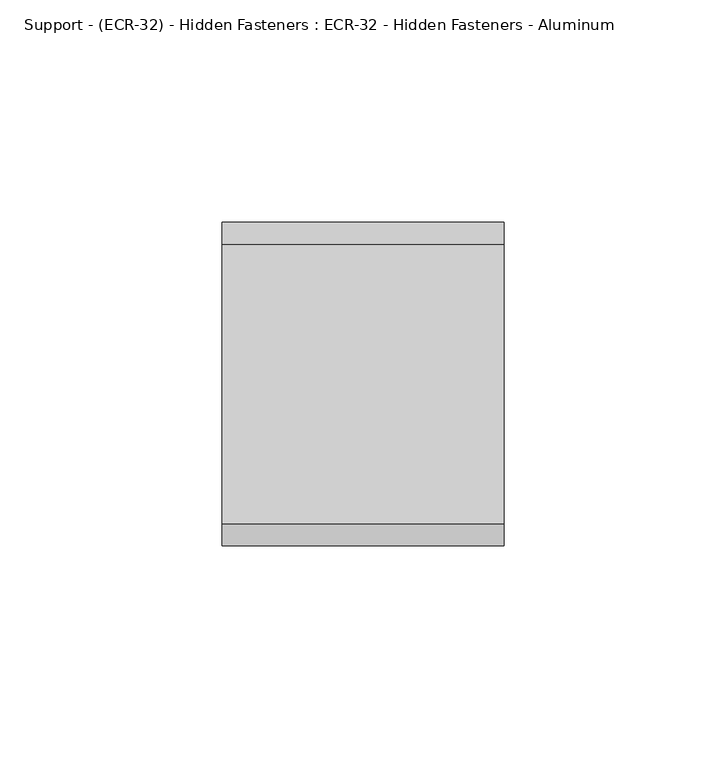
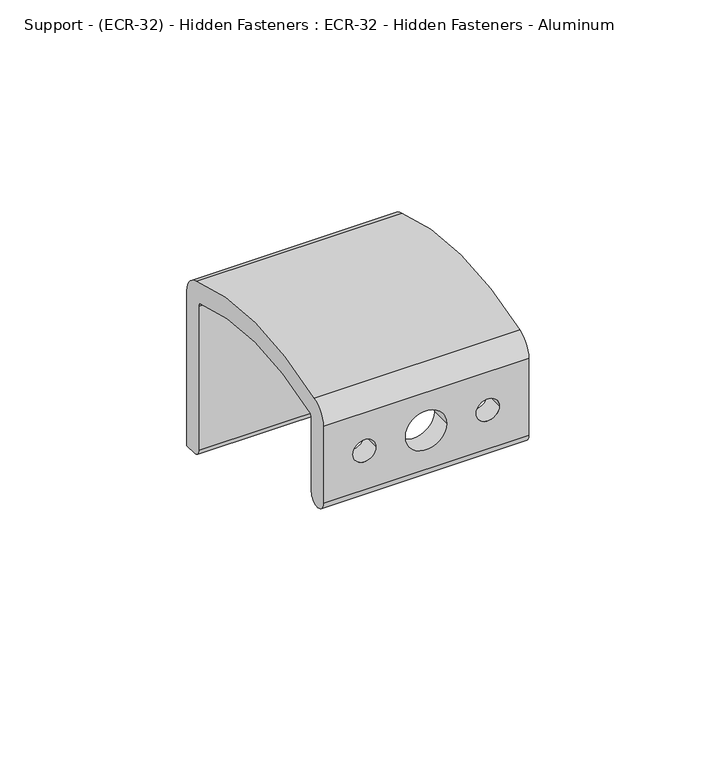
"""IFC4 building model written with IfcOpenShell, lengths in millimetres: proxy geometry, Support - (ECR-32) - Hidden Fasteners : ECR-32 - Hidden Fasteners - Aluminum."""

from ifc_helpers import new_model, si_unit, frame, origin, place, context, project, spatial, polyline, circle_curve, source, transform, mapped, element, save
from ifc_brep_helpers import plane_surface, cylinder_surface, revolved_surface, advanced_brep


def support_ecr_32_hidden_fasteners_ecr_32_hidden_fasteners_90fc6162(model_context):
    return source(origin(), model_context, "Body", "AdvancedBrep", [
        advanced_brep(
        [(31.75, 12.7, 38.1), (31.75, 12.7, 61.9804159), (31.75, 13.5866237, 63.3647307), (31.75, 72.124392, 63.3272614), (31.75, 72.9352417, 61.9804159), (31.75, 72.9352417, 14.986), (31.75, 75.2212417, 12.7), (31.75, 79.2852417, 12.7), (31.75, 79.2852417, 63.2134412), (31.75, 74.2508358, 69.425664), (31.75, 11.3567308, 69.425664), (31.75, 6.35, 63.2193666), (31.75, 6.35, 38.1), (-31.75, 12.7, 38.1), (-31.75, 6.35, 38.1), (-31.75, 6.35, 63.2193666), (-31.75, 11.3567308, 69.425664), (-31.75, 74.2508358, 69.425664), (-31.75, 79.2852417, 63.2134412), (-31.75, 79.2852417, 12.7), (-31.75, 75.2212417, 12.7), (-31.75, 72.9352417, 14.986), (-31.75, 72.9352417, 61.9804159), (-31.75, 72.124392, 63.3272614), (-31.75, 13.5866237, 63.3647307), (-31.75, 12.7, 61.9804159), (-22.621875, 12.7, 50.8), (-15.478125, 12.7, 50.8), (-6.35, 12.7, 50.8), (6.35, 12.7, 50.8), (15.478125, 12.7, 50.8), (22.621875, 12.7, 50.8), (-15.478125, 6.35, 50.8), (-22.621875, 6.35, 50.8), (6.35, 6.35, 50.8), (-6.35, 6.35, 50.8), (22.621875, 6.35, 50.8), (15.478125, 6.35, 50.8)],
        [
            (0, 1),
            (1, 2, circle_curve(frame((31.75, 14.224, 61.9804159), z_axis=(-1.0, 0.0, 0.0), x_axis=(0.0, 1.0, 0.0)), 1.524)),
            (2, 3, circle_curve(frame((31.75, 42.8037833, -17.4625), z_axis=(-1.0, 0.0, 0.0), x_axis=(0.0, 1.0, 0.0)), 85.9458181)),
            (3, 4, circle_curve(frame((31.75, 71.4112417, 61.9804159), z_axis=(-1.0, 0.0, 0.0), x_axis=(0.0, 1.0, 0.0)), 1.524)),
            (4, 5),
            (5, 6, circle_curve(frame((31.75, 75.2212417, 14.986), z_axis=(1.0, 0.0, 0.0), x_axis=(0.0, 1.0, 0.0)), 2.286)),
            (6, 7),
            (7, 8),
            (8, 9, circle_curve(frame((31.75, 72.9352417, 63.2134412), z_axis=(1.0, 0.0, 0.0), x_axis=(0.0, 1.0, 0.0)), 6.35)),
            (9, 10, circle_curve(frame((31.75, 42.8037833, -17.4625), z_axis=(1.0, 0.0, 0.0), x_axis=(0.0, 1.0, 0.0)), 92.4038428)),
            (10, 11, circle_curve(frame((31.75, 12.7, 63.2193666), z_axis=(1.0, 0.0, 0.0), x_axis=(0.0, 1.0, 0.0)), 6.35)),
            (11, 12),
            (12, 0, circle_curve(frame((31.75, 9.525, 38.1), z_axis=(1.0, 0.0, 0.0), x_axis=(0.0, 1.0, 0.0)), 3.175)),
            (13, 14, circle_curve(frame((-31.75, 9.525, 38.1), z_axis=(-1.0, 0.0, 0.0), x_axis=(0.0, 1.0, 0.0)), 3.175)),
            (14, 15),
            (15, 16, circle_curve(frame((-31.75, 12.7, 63.2193666), z_axis=(-1.0, 0.0, 0.0), x_axis=(0.0, 1.0, 0.0)), 6.35)),
            (16, 17, circle_curve(frame((-31.75, 42.8037833, -17.4625), z_axis=(-1.0, 0.0, 0.0), x_axis=(0.0, 1.0, 0.0)), 92.4038428)),
            (17, 18, circle_curve(frame((-31.75, 72.9352417, 63.2134412), z_axis=(-1.0, 0.0, 0.0), x_axis=(0.0, 1.0, 0.0)), 6.35)),
            (18, 19),
            (19, 20),
            (20, 21, circle_curve(frame((-31.75, 75.2212417, 14.986), z_axis=(-1.0, 0.0, 0.0), x_axis=(0.0, 1.0, 0.0)), 2.286)),
            (21, 22),
            (22, 23, circle_curve(frame((-31.75, 71.4112417, 61.9804159), z_axis=(1.0, 0.0, 0.0), x_axis=(0.0, 1.0, 0.0)), 1.524)),
            (23, 24, circle_curve(frame((-31.75, 42.8037833, -17.4625), z_axis=(1.0, 0.0, 0.0), x_axis=(0.0, 1.0, 0.0)), 85.9458181)),
            (24, 25, circle_curve(frame((-31.75, 14.224, 61.9804159), z_axis=(1.0, 0.0, 0.0), x_axis=(0.0, 1.0, 0.0)), 1.524)),
            (25, 13),
            (0, 13),
            (25, 1),
            (26, 27, circle_curve(frame((-19.05, 12.7, 50.8), z_axis=(0.0, -1.0, 0.0), x_axis=(1.0, 0.0, 0.0)), 3.571875)),
            (27, 26, circle_curve(frame((-19.05, 12.7, 50.8), z_axis=(0.0, -1.0, 0.0), x_axis=(1.0, 0.0, 0.0)), 3.571875)),
            (28, 29, circle_curve(frame((0.0, 12.7, 50.8), z_axis=(0.0, -1.0, 0.0), x_axis=(1.0, 0.0, 0.0)), 6.35)),
            (29, 28, circle_curve(frame((0.0, 12.7, 50.8), z_axis=(0.0, -1.0, 0.0), x_axis=(1.0, 0.0, 0.0)), 6.35)),
            (30, 31, circle_curve(frame((19.05, 12.7, 50.8), z_axis=(0.0, -1.0, 0.0), x_axis=(1.0, 0.0, 0.0)), 3.571875)),
            (31, 30, circle_curve(frame((19.05, 12.7, 50.8), z_axis=(0.0, -1.0, 0.0), x_axis=(1.0, 0.0, 0.0)), 3.571875)),
            (24, 2),
            (23, 3),
            (22, 4),
            (21, 5),
            (20, 6),
            (19, 7),
            (18, 8),
            (17, 9),
            (16, 10),
            (15, 11),
            (14, 12),
            (32, 33, circle_curve(frame((-19.05, 6.35, 50.8), z_axis=(0.0, 1.0, 0.0), x_axis=(1.0, 0.0, 0.0)), 3.571875)),
            (33, 32, circle_curve(frame((-19.05, 6.35, 50.8), z_axis=(0.0, 1.0, 0.0), x_axis=(1.0, 0.0, 0.0)), 3.571875)),
            (34, 35, circle_curve(frame((0.0, 6.35, 50.8), z_axis=(0.0, 1.0, 0.0), x_axis=(1.0, 0.0, 0.0)), 6.35)),
            (35, 34, circle_curve(frame((0.0, 6.35, 50.8), z_axis=(0.0, 1.0, 0.0), x_axis=(1.0, 0.0, 0.0)), 6.35)),
            (36, 37, circle_curve(frame((19.05, 6.35, 50.8), z_axis=(0.0, 1.0, 0.0), x_axis=(1.0, 0.0, 0.0)), 3.571875)),
            (37, 36, circle_curve(frame((19.05, 6.35, 50.8), z_axis=(0.0, 1.0, 0.0), x_axis=(1.0, 0.0, 0.0)), 3.571875)),
            (32, 27),
            (26, 33),
            (34, 29),
            (28, 35),
            (36, 31),
            (30, 37),
        ],
        [
            plane_surface(frame((31.75, 12.7, 61.9804159), z_axis=(1.0, 0.0, 0.0), x_axis=(0.0, 0.0, 1.0))),
            plane_surface(frame((-31.75, 12.7, 61.9804159), z_axis=(-1.0, 0.0, 0.0), x_axis=(0.0, 0.0, -1.0))),
            plane_surface(frame((31.75, 12.7, 38.1), z_axis=(0.0, 1.0, 0.0), x_axis=(-1.0, 0.0, 0.0))),
            revolved_surface(polyline([(-31.75, 15.748000000000001, 61.9804159), (31.75, 15.748000000000001, 61.9804159)]), (-31.75, 14.224, 61.9804159), (-1.0, 0.0, 0.0)),
            revolved_surface(polyline([(-31.75, 128.7496014, -17.4625), (31.75, 128.7496014, -17.4625)]), (-31.75, 42.8037833, -17.4625), (-1.0, 0.0, 0.0)),
            revolved_surface(polyline([(-31.75, 72.9352417, 61.9804159), (31.75, 72.9352417, 61.9804159)]), (-31.75, 71.4112417, 61.9804159), (-1.0, 0.0, 0.0)),
            plane_surface(frame((31.75, 72.9352417, 61.9804159), z_axis=(0.0, -1.0, 0.0), x_axis=(-1.0, 0.0, 0.0))),
            cylinder_surface(frame((-31.75, 75.2212417, 14.986), z_axis=(1.0, 0.0, 0.0), x_axis=(0.0, 1.0, 0.0)), 2.286),
            plane_surface(frame((31.75, 75.2212417, 12.7), z_axis=(0.0, 0.0, -1.0), x_axis=(-1.0, 0.0, 0.0))),
            plane_surface(frame((31.75, 79.2852417, 12.7), z_axis=(0.0, 1.0, 0.0), x_axis=(-1.0, 0.0, 0.0))),
            cylinder_surface(frame((-31.75, 72.9352417, 63.2134412), z_axis=(1.0, 0.0, 0.0), x_axis=(0.0, 1.0, 0.0)), 6.35),
            cylinder_surface(frame((-31.75, 42.8037833, -17.4625), z_axis=(1.0, 0.0, 0.0), x_axis=(0.0, 1.0, 0.0)), 92.4038428),
            cylinder_surface(frame((-31.75, 12.7, 63.2193666), z_axis=(1.0, 0.0, 0.0), x_axis=(0.0, 1.0, 0.0)), 6.35),
            plane_surface(frame((31.75, 6.35, 63.2193666), z_axis=(0.0, -1.0, 0.0), x_axis=(-1.0, 0.0, 0.0))),
            cylinder_surface(frame((-31.75, 9.525, 38.1), z_axis=(1.0, 0.0, 0.0), x_axis=(0.0, 1.0, 0.0)), 3.175),
            revolved_surface(polyline([(-15.478125, 6.35, 50.8), (-15.478125, 12.7, 50.8)]), (-19.05, 12.7, 50.8), (0.0, -1.0, 0.0)),
            revolved_surface(polyline([(6.35, 6.35, 50.8), (6.35, 12.7, 50.8)]), (0.0, 0.0, 50.8), (0.0, -1.0, 0.0)),
            revolved_surface(polyline([(22.621875, 6.35, 50.8), (22.621875, 12.7, 50.8)]), (19.05, 0.0, 50.8), (0.0, -1.0, 0.0)),
        ],
        [
            (0, [[1, 2, 3, 4, 5, 6, 7, 8, 9, 10, 11, 12, 13]]),
            (1, [[14, 15, 16, 17, 18, 19, 20, 21, 22, 23, 24, 25, 26]]),
            (2, [[-1, 27, -26, 28], [29, 30], [31, 32], [33, 34]]),
            (3, [[-2, -28, -25, 35]]),
            (4, [[-3, -35, -24, 36]]),
            (5, [[-4, -36, -23, 37]]),
            (6, [[-5, -37, -22, 38]]),
            (7, [[-6, -38, -21, 39]]),
            (8, [[-7, -39, -20, 40]]),
            (9, [[-8, -40, -19, 41]]),
            (10, [[-9, -41, -18, 42]]),
            (11, [[-10, -42, -17, 43]]),
            (12, [[-11, -43, -16, 44]]),
            (13, [[-12, -44, -15, 45], [46, 47], [48, 49], [50, 51]]),
            (14, [[-13, -45, -14, -27]]),
            (15, [[52, -29, 53, -46]]),
            (15, [[-52, -47, -53, -30]]),
            (16, [[54, -31, 55, -48]]),
            (16, [[-54, -49, -55, -32]]),
            (17, [[56, -33, 57, -50]]),
            (17, [[-56, -51, -57, -34]]),
        ],
    ),
    ])


if __name__ == "__main__":
    model = new_model("IFC4")
    model_context = context("Model", 3, world=origin())
    ifc_project = project(units=[si_unit("LENGTHUNIT", "METRE", prefix="MILLI")], contexts=[model_context])
    site = spatial("IfcSite", under=ifc_project)
    building = spatial("IfcBuilding", under=site)
    placement = place(None, origin())
    support_ecr_32_hidden_fasteners_ecr_32_hidden_fasteners_shape = support_ecr_32_hidden_fasteners_ecr_32_hidden_fasteners_90fc6162(model_context)
    element("IfcBuildingElementProxy", 1, Name="Support - (ECR-32) - Hidden Fasteners : ECR-32 - Hidden Fasteners - Aluminum", ObjectType="Support - (ECR-32) - Hidden Fasteners : ECR-32 - Hidden Fasteners - Aluminum", at=placement, inside=building, context=model_context, shape_type="MappedRepresentation", body=[
        mapped(support_ecr_32_hidden_fasteners_ecr_32_hidden_fasteners_shape, transform((0.0, 0.0, 0.0), x_axis=(1.0, 0.0, 0.0), y_axis=(0.0, 1.0, 0.0), z_axis=(0.0, 0.0, 1.0))),
    ])
    save(model, "model.ifc")
